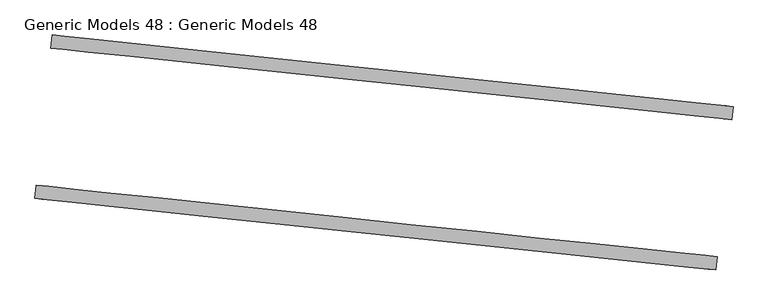
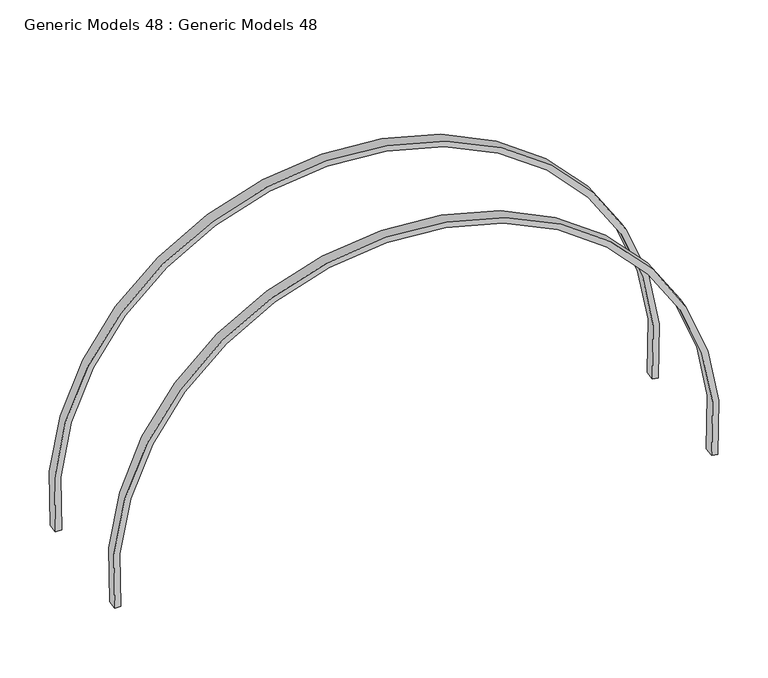
"""IFC4 building model written with IfcOpenShell, lengths in millimetres: proxy geometry, Generic Models 48 : Generic Models 48."""

from ifc_helpers import new_model, si_unit, point, frame, origin, origin_2d, place, context, project, spatial, polyline, circle_curve, trimmed, segment, composite_curve, outline, extrude, source, transform, mapped, element, save


def generic_models_48_generic_models_48_382b3d90(model_context):
    return source(origin(), model_context, "Body", "SweptSolid", [
        extrude(outline(composite_curve([segment(trimmed(circle_curve(origin_2d(), 6479.859644), [point((-6308.3524885, -1480.9692388))], [point((6479.8596439, 0.0))], False, "CARTESIAN"), True, "CONTINUOUS"), segment(polyline([(6479.8596439, 0.0), (6349.859644, -1e-07)]), True, "CONTINUOUS"), segment(trimmed(circle_curve(origin_2d(), 6349.859644), [point((6349.859644, -1e-07))], [point((-6181.793293, -1451.2577926))], True, "CARTESIAN"), True, "CONTINUOUS"), segment(polyline([(-6181.793293, -1451.2577926), (-6308.3524885, -1480.9692388)]), True, "CONTINUOUS")], self_intersect=False)), frame((-276608.0510545, -98371.384646, 748.282931), z_axis=(0.10452846326767211, 0.9945218953682715, 0.0), x_axis=(-0.9879192946531269, 0.10383450196874211, -0.11503853029733838)), (0.0, 0.0, 1.0), 250.0),
        extrude(outline(composite_curve([segment(trimmed(circle_curve(origin_2d(), 6479.859644), [point((-6308.3524885, -1480.9692388))], [point((6479.859644, 0.0))], False, "CARTESIAN"), True, "CONTINUOUS"), segment(polyline([(6479.859644, 0.0), (6349.8596441, -1e-07)]), True, "CONTINUOUS"), segment(trimmed(circle_curve(origin_2d(), 6349.859644), [point((6349.8596441, -1e-07))], [point((-6181.793293, -1451.2577926))], True, "CARTESIAN"), True, "CONTINUOUS"), segment(polyline([(-6181.793293, -1451.2577926), (-6308.3524885, -1480.9692388)]), True, "CONTINUOUS")], self_intersect=False)), frame((-276905.9075954, -101205.3003313, 748.282931), z_axis=(0.10452846326767211, 0.9945218953682715, 0.0), x_axis=(-0.9879192946531269, 0.10383450196874211, -0.11503853029733838)), (0.0, 0.0, 1.0), 250.0),
    ])


if __name__ == "__main__":
    model = new_model("IFC4")
    model_context = context("Model", 3, world=origin())
    ifc_project = project(units=[si_unit("LENGTHUNIT", "METRE", prefix="MILLI")], contexts=[model_context])
    site = spatial("IfcSite", under=ifc_project)
    building = spatial("IfcBuilding", under=site)
    placement = place(None, origin())
    generic_models_48_generic_models_48_shape = generic_models_48_generic_models_48_382b3d90(model_context)
    element("IfcBuildingElementProxy", 1, Name="Generic Models 48 : Generic Models 48", ObjectType="Generic Models 48 : Generic Models 48", at=placement, inside=building, context=model_context, shape_type="MappedRepresentation", body=[
        mapped(generic_models_48_generic_models_48_shape, transform((0.0, 0.0, 0.0), x_axis=(1.0, 0.0, 0.0), y_axis=(0.0, 1.0, 0.0), z_axis=(0.0, 0.0, 1.0))),
    ])
    save(model, "model.ifc")
